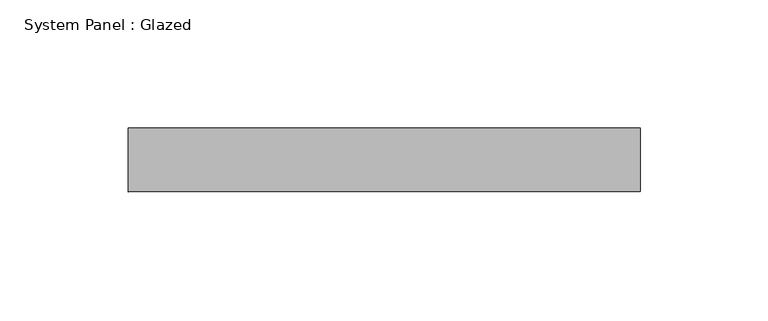
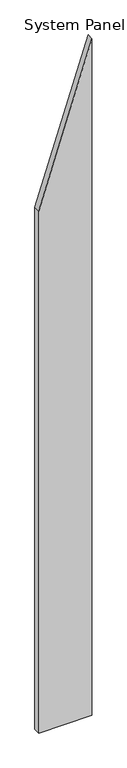
"""IFC4 building model written with IfcOpenShell, lengths in millimetres: plate geometry, System Panel : Glazed."""

from ifc_helpers import new_model, si_unit, frame, origin, place, context, project, spatial, polyline, outline, extrude, source, transform, mapped, element, save


def system_panel_glazed_a07ec3e4(model_context):
    return source(origin(), model_context, "Body", "SweptSolid", [
        extrude(outline(polyline([(0.0, -100.0), (0.0, 100.0), (2692.3076932, 100.0), (2076.9230779, -100.0), (0.0, -100.0)])), frame((0.0, 24.5, 0.0), z_axis=(0.0, 1.0, 0.0), x_axis=(0.0, 0.0, 1.0)), (0.0, 0.0, 1.0), 25.0),
    ])


if __name__ == "__main__":
    model = new_model("IFC4")
    model_context = context("Model", 3, world=origin())
    ifc_project = project(units=[si_unit("LENGTHUNIT", "METRE", prefix="MILLI")], contexts=[model_context])
    site = spatial("IfcSite", under=ifc_project)
    building = spatial("IfcBuilding", under=site)
    placement = place(None, origin())
    system_panel_glazed_shape = system_panel_glazed_a07ec3e4(model_context)
    element("IfcPlate", 1, ObjectType="System Panel : Glazed", at=placement, inside=building, context=model_context, shape_type="MappedRepresentation", body=[
        mapped(system_panel_glazed_shape, transform((0.0, 0.0, 0.0), x_axis=(1.0, 0.0, 0.0), y_axis=(0.0, 1.0, 0.0), z_axis=(0.0, 0.0, 1.0))),
    ])
    save(model, "model.ifc")
